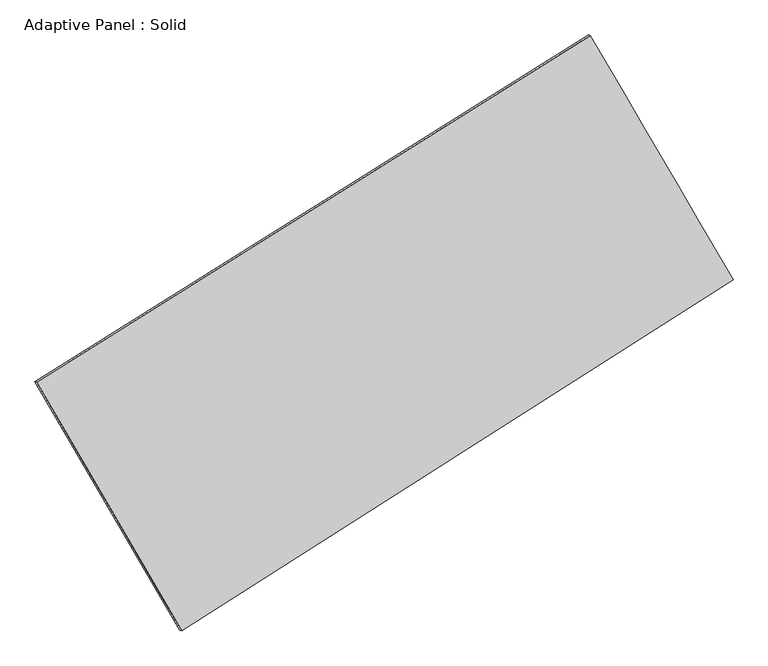
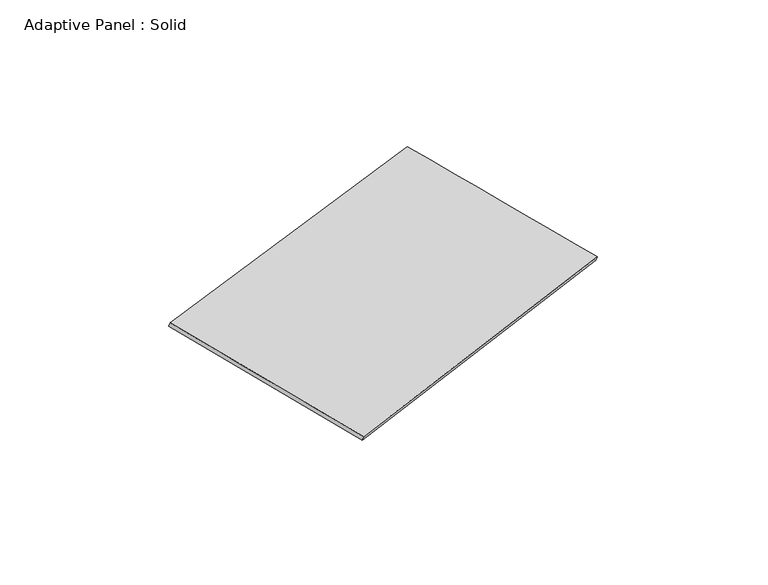
"""IFC4 building model written with IfcOpenShell, lengths in millimetres: plate geometry, Adaptive Panel : Solid."""

from ifc_helpers import new_model, si_unit, frame, origin, place, context, project, spatial, source, transform, mapped, element, save
from ifc_brep_helpers import plane_surface, spline_surface, advanced_brep


def adaptive_panel_solid_2a77f023(model_context):
    return source(origin(), model_context, "Body", "AdvancedBrep", [
        advanced_brep(
        [(1161.7447328, 2522.046872, 658.0296906), (-3735.8353242, -543.6320026, 1771.7727175), (-3721.1689684, -550.012096, 1819.1456255), (1176.4110886, 2515.6667786, 705.4025986), (-2453.626961, -2742.1352951, 1068.4571524), (-2438.9606052, -2748.5153885, 1115.8300604), (2424.4269743, 363.4718528, -13.1370402), (2439.0933301, 357.0917593, 34.2358678)],
        [
            (0, 1),
            (1, 2),
            (2, 3),
            (3, 0),
            (1, 4),
            (4, 5),
            (5, 2),
            (4, 6),
            (6, 7),
            (7, 5),
            (6, 0),
            (3, 7),
        ],
        [
            plane_surface(frame((-1287.0452957, 989.2074347, 1214.9012041), z_axis=(-0.4694672358373574, 0.844100730634009, 0.25902600452148333), x_axis=(-0.8323117388784763, -0.520992099218841, 0.18927335226236303))),
            plane_surface(frame((-3094.7311426, -1642.8836488, 1420.1149349), z_axis=(-0.8228617748608686, -0.5382167764629504, 0.18226684011814015), x_axis=(0.48559693368054074, -0.8326154220956618, -0.2663591126440384))),
            plane_surface(frame((-14.5999934, -1189.3317211, 527.6600561), z_axis=(0.47669702457658897, -0.8395366131786358, -0.2606496151778723), x_axis=(0.8291736116889152, 0.5278923786846923, -0.18384982514372317))),
            plane_surface(frame((1793.0858535, 1442.7593624, 322.4463252), z_axis=(0.8229438837287281, 0.5380761962068866, -0.1823111935921811), x_axis=(-0.48766106949814625, 0.833664217200002, 0.2592116013148952))),
            spline_surface(1, 1, [[(-3721.1689684, -550.012096, 1819.1456255), (1176.4110886, 2515.6667786, 705.4025986)], [(-2438.9606052, -2748.5153885, 1115.8300604), (2439.0933301, 357.0917593, 34.2358678)]], [2, 2], [2, 2], [0.0, 1.0], [0.0, 1.0]),
            spline_surface(1, 1, [[(2424.4269743, 363.4718528, -13.1370402), (1161.7447328, 2522.046872, 658.0296906)], [(-2453.626961, -2742.1352951, 1068.4571524), (-3735.8353242, -543.6320026, 1771.7727175)]], [2, 2], [2, 2], [0.0, 1.0], [0.0, 1.0]),
        ],
        [
            (0, [[1, 2, 3, 4]]),
            (1, [[5, 6, 7, -2]]),
            (2, [[8, 9, 10, -6]]),
            (3, [[11, -4, 12, -9]]),
            (4, [[-3, -7, -10, -12]]),
            (5, [[-11, -8, -5, -1]]),
        ],
    ),
    ])


if __name__ == "__main__":
    model = new_model("IFC4")
    model_context = context("Model", 3, world=origin())
    ifc_project = project(units=[si_unit("LENGTHUNIT", "METRE", prefix="MILLI")], contexts=[model_context])
    site = spatial("IfcSite", under=ifc_project)
    building = spatial("IfcBuilding", under=site)
    placement = place(None, origin())
    adaptive_panel_solid_shape = adaptive_panel_solid_2a77f023(model_context)
    element("IfcPlate", 1, ObjectType="Adaptive Panel : Solid", at=placement, inside=building, context=model_context, shape_type="MappedRepresentation", body=[
        mapped(adaptive_panel_solid_shape, transform((0.0, 0.0, 0.0), x_axis=(1.0, 0.0, 0.0), y_axis=(0.0, 1.0, 0.0), z_axis=(0.0, 0.0, 1.0))),
    ])
    save(model, "model.ifc")
